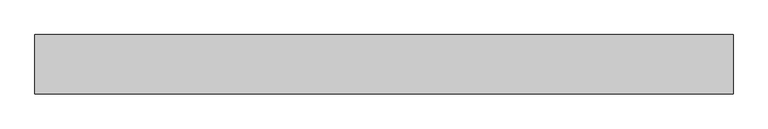
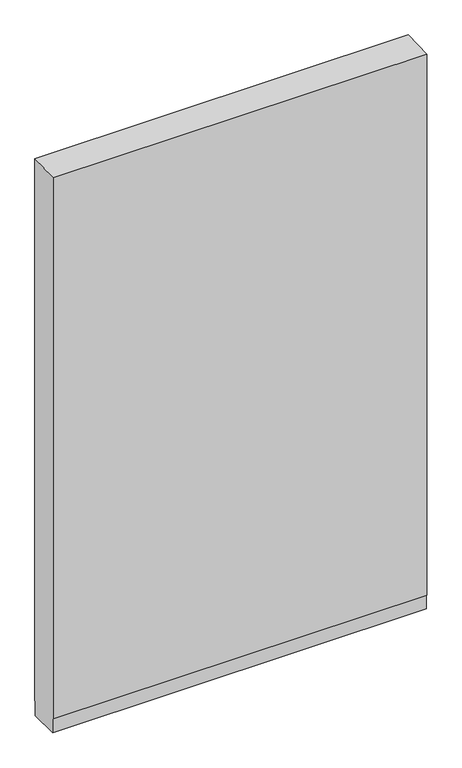
"""IFC4 building model written with IfcOpenShell, lengths in millimetres: proxy geometry."""

from ifc_helpers import new_model, si_unit, frame, origin, place, context, project, spatial, polyline, outline, extrude, source, transform, mapped, element, save


def generic_models_1329e71f(model_context):
    return source(origin(), model_context, "Body", "SweptSolid", [
        extrude(outline(polyline([(-578799.0788841, 103.1875), (-578805.4288841, 103.1875), (-578805.4288841, 7.9375), (-578992.7538841, 7.9375), (-578992.7538841, 103.1875), (-578999.1038841, 103.1875), (-578999.1038841, 3721.1661458), (-578799.0788841, 3729.5005208), (-578799.0788841, 103.1875)])), frame((593776.1867239, 0.0, 0.0), z_axis=(1.0, 0.0, 0.0), x_axis=(0.0, 1.0, 0.0)), (0.0, 0.0, 1.0), 2362.9072353),
    ])


if __name__ == "__main__":
    model = new_model("IFC4")
    model_context = context("Model", 3, world=origin())
    ifc_project = project(units=[si_unit("LENGTHUNIT", "METRE", prefix="MILLI")], contexts=[model_context])
    site = spatial("IfcSite", under=ifc_project)
    building = spatial("IfcBuilding", under=site)
    placement = place(None, origin())
    generic_models_shape = generic_models_1329e71f(model_context)
    element("IfcBuildingElementProxy", 1, Name="Generic Models", at=placement, inside=building, context=model_context, shape_type="MappedRepresentation", body=[
        mapped(generic_models_shape, transform((0.0, 0.0, 0.0), x_axis=(1.0, 0.0, 0.0), y_axis=(0.0, 1.0, 0.0), z_axis=(0.0, 0.0, 1.0))),
    ])
    save(model, "model.ifc")
